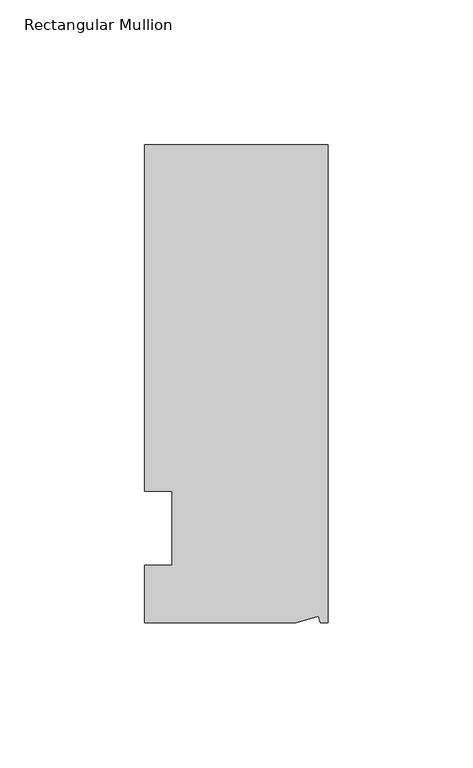
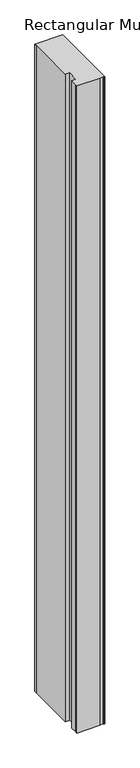
"""IFC4 building model written with IfcOpenShell, lengths in millimetres: member geometry, Rectangular Mullion."""

import ifcopenshell
import ifcopenshell.guid

model = None  # the IFC model being written
_history = None  # IfcOwnerHistory: only IFC2X3 demands one
_inside = {}  # id of a spatial element -> (the spatial element, [elements in it])
_under = {}  # id of a project, library or spatial element -> (it, [spatial elements below it])
_declared = {}  # id of a project -> (the project, [libraries it declares])
_typed = {}  # id of a type object -> (the type object, [elements of that type])
_made_of = {}  # id of a material, layer set ... -> (it, [elements and type objects made of it])


def new_model(schema):
    """Start an empty IFC model of exactly this schema.

    Asked for "IFC4X3", IfcOpenShell would pick the latest addendum, in which some entities
    have other attributes; the version numbers below select the first issue.
    IFC2X3 requires an IfcOwnerHistory on every rooted entity: one is made here for all.
    """
    global model, _history
    if schema == "IFC4X3":
        model = ifcopenshell.file(schema_version=(4, 3, 0, 0))
    else:
        model = ifcopenshell.file(schema=schema)
    _inside.clear()
    _under.clear()
    _declared.clear()
    _typed.clear()
    _made_of.clear()
    _history = None
    if model.schema == "IFC2X3":
        org = make("IfcOrganization", Name="unknown")
        user = make(
            "IfcPersonAndOrganization",
            ThePerson=make("IfcPerson", FamilyName="unknown"),
            TheOrganization=org,
        )
        app = make(
            "IfcApplication",
            ApplicationDeveloper=org,
            Version="unknown",
            ApplicationFullName="unknown",
            ApplicationIdentifier="unknown",
        )
        _history = make(
            "IfcOwnerHistory",
            OwningUser=user,
            OwningApplication=app,
            ChangeAction="ADDED",
            CreationDate=0,
        )
    return model


def make(cls, **values):
    """One entity of the class cls with the attributes given. An attribute that is None is left unset."""
    return model.create_entity(
        cls, **{name: value for name, value in values.items() if value is not None}
    )


def rooted(cls, **values):
    """An entity with a GlobalId (a new one), such as an element, a storey or a relation."""
    return make(cls, GlobalId=ifcopenshell.guid.new(), OwnerHistory=_history, **values)


def si_unit(unit_type, name, prefix=None):
    """IfcSIUnit, for example si_unit("LENGTHUNIT", "METRE", prefix="MILLI")."""
    return make("IfcSIUnit", UnitType=unit_type, Prefix=prefix, Name=name)


def assignment(units):
    """IfcUnitAssignment: the units of a project."""
    return None if units is None else make("IfcUnitAssignment", Units=units)


def point(xyz):
    """IfcCartesianPoint."""
    return None if xyz is None else make("IfcCartesianPoint", Coordinates=xyz)


def direction(xyz):
    """IfcDirection."""
    return None if xyz is None else make("IfcDirection", DirectionRatios=xyz)


def frame(location, z_axis=None, x_axis=None):
    """IfcAxis2Placement3D, a coordinate frame: its origin and axes. An axis left out is left unset."""
    return make(
        "IfcAxis2Placement3D",
        Location=point(location),
        Axis=direction(z_axis),
        RefDirection=direction(x_axis),
    )


def origin():
    """The frame at (0, 0, 0) with its axes left unset."""
    return frame((0.0, 0.0, 0.0))


def place(relative_to, where):
    """IfcLocalPlacement: puts the frame where relative to a parent placement (None: the world)."""
    return make(
        "IfcLocalPlacement", PlacementRelTo=relative_to, RelativePlacement=where
    )


def context(
    kind, dimensions, precision=None, world=None, true_north=None, identifier=None
):
    """IfcGeometricRepresentationContext, for example the 3D "Model" context."""
    return make(
        "IfcGeometricRepresentationContext",
        ContextIdentifier=identifier,
        ContextType=kind,
        CoordinateSpaceDimension=dimensions,
        Precision=precision,
        WorldCoordinateSystem=world,
        TrueNorth=true_north,
    )


def project(units=None, contexts=None):
    """IfcProject with its units and contexts."""
    return rooted(
        "IfcProject",
        Name="project",
        RepresentationContexts=contexts,
        UnitsInContext=assignment(units),
    )


def spatial(cls, under=None, at=None, **own):
    """A site, building, storey or space (cls), placed at a placement, below another one or the project."""
    s = rooted(cls, ObjectPlacement=at, **own)
    if under is not None:
        _under.setdefault(under.id(), (under, []))[1].append(s)
    return s


def faces_of(points, faces, orient=None, outer=None):
    """IfcFace entities. A face is a list of loops; a loop is a list of indices into points, from 0.

    orient and outer hold one flag for each loop. By default every Orientation is true, the
    first loop of a face is its IfcFaceOuterBound and the others are IfcFaceBound.
    """
    made = []
    for i, loops in enumerate(faces):
        bounds = []
        for j, loop in enumerate(loops):
            is_outer = j == 0 if outer is None else outer[i][j]
            bounds.append(
                make(
                    "IfcFaceOuterBound" if is_outer else "IfcFaceBound",
                    Bound=make("IfcPolyLoop", Polygon=[points[k] for k in loop]),
                    Orientation=True if orient is None else orient[i][j],
                )
            )
        made.append(make("IfcFace", Bounds=bounds))
    return made


def faceted_brep(points, faces, orient=None, outer=None, voids=None):
    """IfcFacetedBrep: a solid bounded by flat faces; with voids (closed shells), ...WithVoids."""
    shared = [point(p) for p in points]
    hull = make("IfcClosedShell", CfsFaces=faces_of(shared, faces, orient, outer))
    if voids is None:
        return make("IfcFacetedBrep", Outer=hull)
    return make(
        "IfcFacetedBrepWithVoids",
        Outer=hull,
        Voids=[
            make(cls, CfsFaces=faces_of(shared, fs, o, b)) for cls, fs, o, b in voids
        ],
    )


def shape(context_of_items, identifier, shape_type, items):
    """IfcShapeRepresentation: the items that make up one representation, for example the "Body"."""
    return make(
        "IfcShapeRepresentation",
        ContextOfItems=context_of_items,
        RepresentationIdentifier=identifier,
        RepresentationType=shape_type,
        Items=items,
    )


def source(mapping_origin, context_of_items, identifier, shape_type, items):
    """IfcRepresentationMap: a shape defined once, which mapped items show again and again."""
    return make(
        "IfcRepresentationMap",
        MappingOrigin=mapping_origin,
        MappedRepresentation=shape(context_of_items, identifier, shape_type, items),
    )


def transform(
    local_origin,
    x_axis=None,
    y_axis=None,
    z_axis=None,
    scale=None,
    scale2=None,
    scale3=None,
    uniform=True,
):
    """IfcCartesianTransformationOperator3D, or its non-uniform kind. x_axis, y_axis, z_axis: its Axis1, 2, 3."""
    if uniform:
        return make(
            "IfcCartesianTransformationOperator3D",
            Axis1=direction(x_axis),
            Axis2=direction(y_axis),
            LocalOrigin=point(local_origin),
            Scale=scale,
            Axis3=direction(z_axis),
        )
    return make(
        "IfcCartesianTransformationOperator3DnonUniform",
        Axis1=direction(x_axis),
        Axis2=direction(y_axis),
        LocalOrigin=point(local_origin),
        Scale=scale,
        Axis3=direction(z_axis),
        Scale2=scale2,
        Scale3=scale3,
    )


def mapped(mapping_source, mapping_target):
    """IfcMappedItem: shows the shape of a source again, moved by a transform."""
    return make(
        "IfcMappedItem", MappingSource=mapping_source, MappingTarget=mapping_target
    )


def made_of(thing, what):
    """Note that an element or type object is made of a material, layer set ...; save() writes the relation."""
    if what is not None:
        _made_of.setdefault(what.id(), (what, []))[1].append(thing)
    return thing


def element(
    cls,
    number,
    at=None,
    inside=None,
    cuts=None,
    type_object=None,
    material=None,
    context=None,
    identifier="Body",
    shape_type=None,
    held_by="IfcProductDefinitionShape",
    body=None,
    shapes=None,
    **own,
):
    """One element of the class cls, such as IfcWall. Its Tag is "e" and its number.

    at: its placement. inside: the storey or other place that contains it. cuts: it is an
    opening in that element (IfcRelVoidsElement). A single representation is given by context,
    identifier, shape_type and body (its items); several are given by shapes. held_by: the class
    of the entity that holds the representations. save() writes the other relations.
    """
    e = rooted(cls, Tag="e%d" % number, ObjectPlacement=at, **own)
    if body is not None:
        shapes = [shape(context, identifier, shape_type, body)]
    if shapes is not None:
        e.Representation = make(held_by, Representations=shapes)
    if inside is not None:
        _inside.setdefault(inside.id(), (inside, []))[1].append(e)
    if cuts is not None:
        rooted(
            "IfcRelVoidsElement", RelatingBuildingElement=cuts, RelatedOpeningElement=e
        )
    if type_object is not None:
        _typed.setdefault(type_object.id(), (type_object, []))[1].append(e)
    return made_of(e, material)


def aggregate(whole, parts):
    """IfcRelAggregates: a whole, such as a stair, and the parts it consists of."""
    return rooted("IfcRelAggregates", RelatingObject=whole, RelatedObjects=parts)


def save(model, path):
    """Write the relations noted so far, then the file.

    IfcRelAggregates (storeys below a building ...), IfcRelContainedInSpatialStructure (elements
    in a storey), IfcRelDefinesByType, IfcRelAssociatesMaterial and IfcRelDeclares: one each for
    every whole, place, type object, material and project.
    """
    for whole, parts in _under.values():
        aggregate(whole, parts)
    for where, things in _inside.values():
        rooted(
            "IfcRelContainedInSpatialStructure",
            RelatedElements=things,
            RelatingStructure=where,
        )
    for kind, things in _typed.values():
        rooted("IfcRelDefinesByType", RelatedObjects=things, RelatingType=kind)
    for what, things in _made_of.values():
        rooted("IfcRelAssociatesMaterial", RelatedObjects=things, RelatingMaterial=what)
    for by, libraries in _declared.values():
        rooted("IfcRelDeclares", RelatingContext=by, RelatedDefinitions=libraries)
    model.write(path)


def rectangular_mullion_c054a934(model_context):
    return source(origin(), model_context, "Body", "Brep", [
        faceted_brep([(0.0, 132.5561012, 0.0), (-63.5, 132.5561012, 0.0), (-63.5, 126.2061012, 0.0), (-63.5, 12.8488281, 0.0), (-53.975, 12.8488281, 0.0), (-53.975, -12.7, 0.0), (-63.5, -12.7, 0.0), (-63.5, -26.1938988, 0.0), (-63.5076469, -32.5438988, 0.0), (-11.1125, -32.5438988, 0.0), (-3.3223696, -30.4565397, 0.0), (-2.7630634, -32.5438988, 0.0), (0.0, -32.5438988, 0.0), (0.0, 132.5561012, -1555.75), (0.0, -32.5438988, -1555.75), (-2.7630634, -32.5438988, -1555.75), (-3.3223696, -30.4565397, -1555.75), (-11.1125, -32.5438988, -1555.75), (-63.5076469, -32.5438988, -1555.75), (-63.5076469, -26.1938988, -1555.75), (-63.5, -12.7, -1555.75), (-53.975, -12.7, -1555.75), (-53.975, 12.8488281, -1555.75), (-63.5, 12.8488281, -1555.75), (-63.5, 126.2061012, -1555.75), (-63.5, 132.5561012, -1555.75)], [[[0, 1, 2, 3, 4, 5, 6, 7, 8, 9, 10, 11, 12]], [[13, 14, 15, 16, 17, 18, 19, 20, 21, 22, 23, 24, 25]], [[0, 12, 14, 13]], [[1, 0, 13, 25]], [[3, 2, 24, 23]], [[4, 3, 23, 22]], [[5, 4, 22, 21]], [[6, 5, 21, 20]], [[7, 6, 20, 19]], [[9, 8, 18, 17]], [[10, 9, 17, 16]], [[11, 10, 16, 15]], [[12, 11, 15, 14]], [[2, 1, 25, 24]], [[8, 7, 19, 18]]]),
    ])


if __name__ == "__main__":
    model = new_model("IFC4")
    model_context = context("Model", 3, world=origin())
    ifc_project = project(units=[si_unit("LENGTHUNIT", "METRE", prefix="MILLI")], contexts=[model_context])
    site = spatial("IfcSite", under=ifc_project)
    building = spatial("IfcBuilding", under=site)
    placement = place(None, origin())
    rectangular_mullion_shape = rectangular_mullion_c054a934(model_context)
    element("IfcMember", 1, ObjectType="Rectangular Mullion", at=placement, inside=building, context=model_context, shape_type="MappedRepresentation", body=[
        mapped(rectangular_mullion_shape, transform((0.0, 0.0, 0.0), x_axis=(1.0, 0.0, 0.0), y_axis=(0.0, 1.0, 0.0), z_axis=(0.0, 0.0, 1.0))),
    ])
    save(model, "model.ifc")
